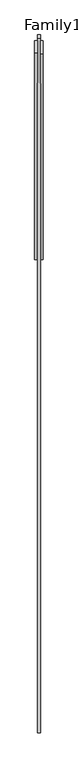
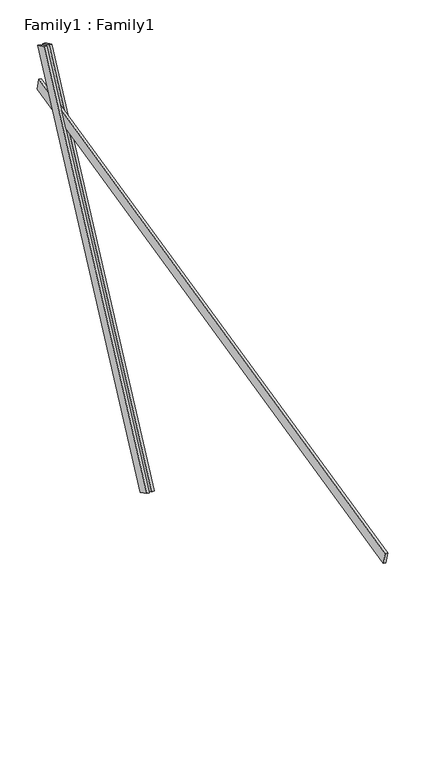
"""IFC4 building model written with IfcOpenShell, lengths in millimetres: proxy geometry, Family1 : Family1."""

from ifc_helpers import new_model, si_unit, frame, origin, place, context, project, spatial, polyline, outline, extrude, source, transform, mapped, element, save


def family1_family1_e4c5c569(model_context):
    return source(origin(), model_context, "Body", "SweptSolid", [
        extrude(outline(polyline([(0.0, 0.0), (0.0, -20.0), (-100.0000001, -20.0), (-100.0000001, 0.0), (0.0, 0.0)])), frame((-30.0, 46.3241747, -22.5938096), z_axis=(0.0, 0.4383711467890692, 0.8987940462991711), x_axis=(0.0, 0.8987940462991711, -0.4383711467890692)), (0.0, 0.0, 1.0), 3300.0),
        extrude(outline(polyline([(0.0, 0.0), (0.0, -20.0), (-99.9999999, -20.0), (-99.9999999, 0.0), (0.0, 0.0)])), frame((10.0, 45.270232, -22.0797674), z_axis=(0.0, 0.4383711467890692, 0.8987940462991711), x_axis=(0.0, 0.8987940462991711, -0.4383711467890692)), (0.0, 0.0, 1.0), 3300.0),
        extrude(outline(polyline([(0.0, -20.0), (0.0, 0.0), (5000.0, 0.0), (5000.0, -20.0), (0.0, -20.0)])), frame((-10.0, -3339.1595282, 1411.0257337), z_axis=(0.0, -0.22495105434386242, 0.9743700647852359), x_axis=(0.0, 0.9743700647852359, 0.22495105434386242)), (0.0, 0.0, 1.0), 100.0),
    ])


if __name__ == "__main__":
    model = new_model("IFC4")
    model_context = context("Model", 3, world=origin())
    ifc_project = project(units=[si_unit("LENGTHUNIT", "METRE", prefix="MILLI")], contexts=[model_context])
    site = spatial("IfcSite", under=ifc_project)
    building = spatial("IfcBuilding", under=site)
    placement = place(None, origin())
    family1_family1_shape = family1_family1_e4c5c569(model_context)
    element("IfcBuildingElementProxy", 1, Name="Family1 : Family1", ObjectType="Family1 : Family1", at=placement, inside=building, context=model_context, shape_type="MappedRepresentation", body=[
        mapped(family1_family1_shape, transform((0.0, 0.0, 0.0), x_axis=(1.0, 0.0, 0.0), y_axis=(0.0, 1.0, 0.0), z_axis=(0.0, 0.0, 1.0))),
    ])
    save(model, "model.ifc")
